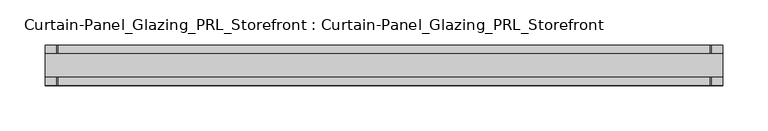
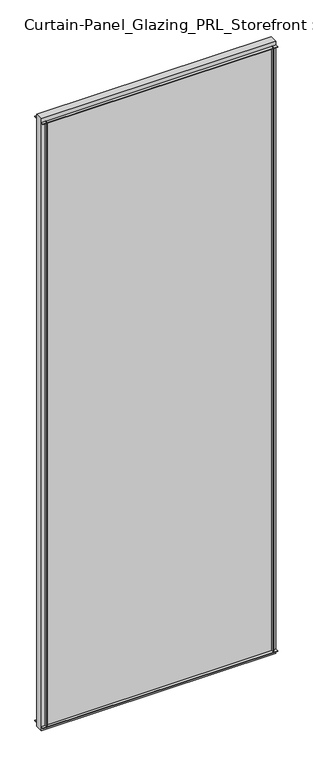
"""IFC4 building model written with IfcOpenShell, lengths in millimetres: plate geometry, Curtain-Panel_Glazing_PRL_Storefront : Curtain-Panel_Glazing_PRL_Storefront."""

from ifc_helpers import new_model, si_unit, frame, origin, origin_with_axes, place, context, project, spatial, polyline, outline, extrude, source, transform, mapped, element, save


def curtain_panel_glazing_prl_storefront_curtain_panel_glazing_286658d0(model_context):
    return source(origin(), model_context, "Body", "SweptSolid", [
        extrude(outline(polyline([(385.2333333, -22.225), (383.6458333, -22.225), (383.6458333, -12.7), (385.2333333, -12.7), (385.2333333, -22.225)])), frame((0.0, 0.0, 12.7), z_axis=(0.0, 0.0, 1.0), x_axis=(1.0, 0.0, 0.0)), (0.0, 0.0, 1.0), 2047.08125),
        extrude(outline(polyline([(385.2333333, 22.225), (385.2333333, 12.7), (383.6458333, 12.7), (383.6458333, 22.225), (385.2333333, 22.225)])), frame((0.0, 0.0, 12.7), z_axis=(0.0, 0.0, 1.0), x_axis=(1.0, 0.0, 0.0)), (0.0, 0.0, 1.0), 2047.08125),
        extrude(outline(polyline([(-340.7833333, -22.225), (-340.7833333, -12.7), (-339.1958333, -12.7), (-339.1958333, -22.225), (-340.7833333, -22.225)])), frame((0.0, 0.0, 12.7), z_axis=(0.0, 0.0, 1.0), x_axis=(1.0, 0.0, 0.0)), (0.0, 0.0, 1.0), 2047.08125),
        extrude(outline(polyline([(-340.7833333, 22.225), (-339.1958333, 22.225), (-339.1958333, 12.7), (-340.7833333, 12.7), (-340.7833333, 22.225)])), frame((0.0, 0.0, 12.7), z_axis=(0.0, 0.0, 1.0), x_axis=(1.0, 0.0, 0.0)), (0.0, 0.0, 1.0), 2047.08125),
        extrude(outline(polyline([(397.9333333, 12.7), (397.9333333, -12.7), (-353.4833333, -12.7), (-353.4833333, 12.7), (397.9333333, 12.7)])), origin_with_axes(), (0.0, 0.0, 1.0), 2072.48125),
        extrude(outline(polyline([(-353.4833333, -22.225), (-353.4833333, -12.7), (397.9333333, -12.7), (397.9333333, -22.225), (-353.4833333, -22.225)])), frame((0.0, 0.0, 2058.19375), z_axis=(0.0, 0.0, 1.0), x_axis=(1.0, 0.0, 0.0)), (0.0, 0.0, 1.0), 1.5875),
        extrude(outline(polyline([(-353.4833333, 22.225), (397.9333333, 22.225), (397.9333333, 12.7), (-353.4833333, 12.7), (-353.4833333, 22.225)])), frame((0.0, 0.0, 2058.19375), z_axis=(0.0, 0.0, 1.0), x_axis=(1.0, 0.0, 0.0)), (0.0, 0.0, 1.0), 1.5875),
        extrude(outline(polyline([(-353.4833333, -22.225), (-353.4833333, -12.7), (397.9333333, -12.7), (397.9333333, -22.225), (-353.4833333, -22.225)])), frame((0.0, 0.0, 12.7), z_axis=(0.0, 0.0, 1.0), x_axis=(1.0, 0.0, 0.0)), (0.0, 0.0, 1.0), 1.5875),
        extrude(outline(polyline([(-353.4833333, 22.225), (397.9333333, 22.225), (397.9333333, 12.7), (-353.4833333, 12.7), (-353.4833333, 22.225)])), frame((0.0, 0.0, 12.7), z_axis=(0.0, 0.0, 1.0), x_axis=(1.0, 0.0, 0.0)), (0.0, 0.0, 1.0), 1.5875),
    ])


if __name__ == "__main__":
    model = new_model("IFC4")
    model_context = context("Model", 3, world=origin())
    ifc_project = project(units=[si_unit("LENGTHUNIT", "METRE", prefix="MILLI")], contexts=[model_context])
    site = spatial("IfcSite", under=ifc_project)
    building = spatial("IfcBuilding", under=site)
    placement = place(None, origin())
    curtain_panel_glazing_prl_storefront_curtain_panel_glazing_shape = curtain_panel_glazing_prl_storefront_curtain_panel_glazing_286658d0(model_context)
    element("IfcPlate", 1, ObjectType="Curtain-Panel_Glazing_PRL_Storefront : Curtain-Panel_Glazing_PRL_Storefront", at=placement, inside=building, context=model_context, shape_type="MappedRepresentation", body=[
        mapped(curtain_panel_glazing_prl_storefront_curtain_panel_glazing_shape, transform((0.0, 0.0, 0.0), x_axis=(1.0, 0.0, 0.0), y_axis=(0.0, 1.0, 0.0), z_axis=(0.0, 0.0, 1.0))),
    ])
    save(model, "model.ifc")
